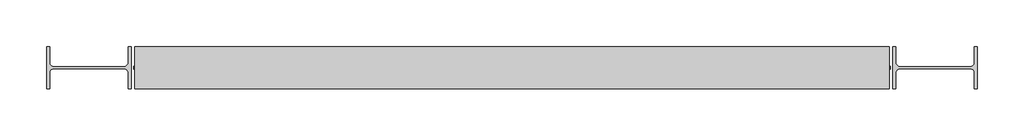
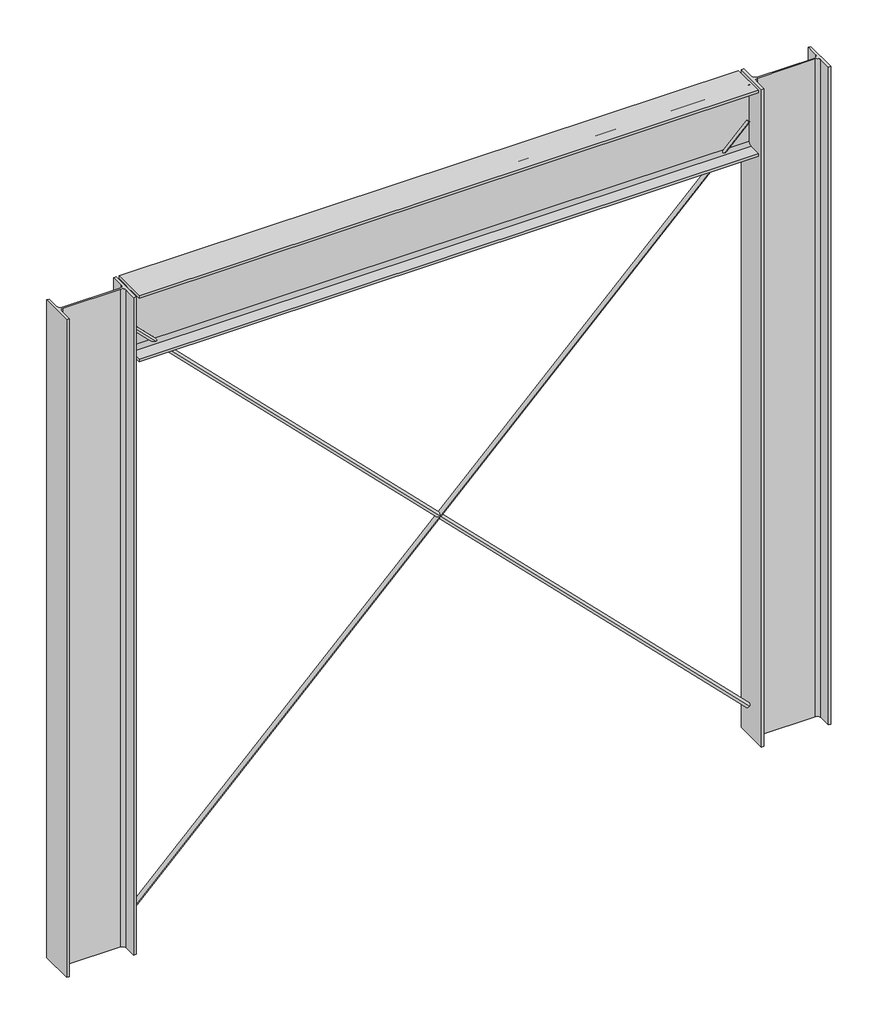
# Not in any storey: 3 beams, 2 columns.
"""IFC4 building model written with IfcOpenShell, lengths in millimetres."""

import ifcopenshell
import ifcopenshell.guid

model = None  # the IFC model being written
_history = None  # IfcOwnerHistory: only IFC2X3 demands one
_inside = {}  # id of a spatial element -> (the spatial element, [elements in it])
_under = {}  # id of a project, library or spatial element -> (it, [spatial elements below it])
_declared = {}  # id of a project -> (the project, [libraries it declares])
_typed = {}  # id of a type object -> (the type object, [elements of that type])
_made_of = {}  # id of a material, layer set ... -> (it, [elements and type objects made of it])


def new_model(schema):
    """Start an empty IFC model of exactly this schema.

    Asked for "IFC4X3", IfcOpenShell would pick the latest addendum, in which some entities
    have other attributes; the version numbers below select the first issue.
    IFC2X3 requires an IfcOwnerHistory on every rooted entity: one is made here for all.
    """
    global model, _history
    if schema == "IFC4X3":
        model = ifcopenshell.file(schema_version=(4, 3, 0, 0))
    else:
        model = ifcopenshell.file(schema=schema)
    _inside.clear()
    _under.clear()
    _declared.clear()
    _typed.clear()
    _made_of.clear()
    _history = None
    if model.schema == "IFC2X3":
        org = make("IfcOrganization", Name="unknown")
        user = make(
            "IfcPersonAndOrganization",
            ThePerson=make("IfcPerson", FamilyName="unknown"),
            TheOrganization=org,
        )
        app = make(
            "IfcApplication",
            ApplicationDeveloper=org,
            Version="unknown",
            ApplicationFullName="unknown",
            ApplicationIdentifier="unknown",
        )
        _history = make(
            "IfcOwnerHistory",
            OwningUser=user,
            OwningApplication=app,
            ChangeAction="ADDED",
            CreationDate=0,
        )
    return model


def make(cls, **values):
    """One entity of the class cls with the attributes given. An attribute that is None is left unset."""
    return model.create_entity(
        cls, **{name: value for name, value in values.items() if value is not None}
    )


def rooted(cls, **values):
    """An entity with a GlobalId (a new one), such as an element, a storey or a relation."""
    return make(cls, GlobalId=ifcopenshell.guid.new(), OwnerHistory=_history, **values)


def si_unit(unit_type, name, prefix=None):
    """IfcSIUnit, for example si_unit("LENGTHUNIT", "METRE", prefix="MILLI")."""
    return make("IfcSIUnit", UnitType=unit_type, Prefix=prefix, Name=name)


def assignment(units):
    """IfcUnitAssignment: the units of a project."""
    return None if units is None else make("IfcUnitAssignment", Units=units)


def point(xyz):
    """IfcCartesianPoint."""
    return None if xyz is None else make("IfcCartesianPoint", Coordinates=xyz)


def direction(xyz):
    """IfcDirection."""
    return None if xyz is None else make("IfcDirection", DirectionRatios=xyz)


def frame(location, z_axis=None, x_axis=None):
    """IfcAxis2Placement3D, a coordinate frame: its origin and axes. An axis left out is left unset."""
    return make(
        "IfcAxis2Placement3D",
        Location=point(location),
        Axis=direction(z_axis),
        RefDirection=direction(x_axis),
    )


def frame_2d(location, x_axis=None):
    """IfcAxis2Placement2D, a coordinate frame in the plane: its origin and x axis."""
    return make(
        "IfcAxis2Placement2D", Location=point(location), RefDirection=direction(x_axis)
    )


def origin():
    """The frame at (0, 0, 0) with its axes left unset."""
    return frame((0.0, 0.0, 0.0))


def origin_2d():
    """The frame at (0, 0) in the plane with its x axis left unset."""
    return frame_2d((0.0, 0.0))


def place(relative_to, where):
    """IfcLocalPlacement: puts the frame where relative to a parent placement (None: the world)."""
    return make(
        "IfcLocalPlacement", PlacementRelTo=relative_to, RelativePlacement=where
    )


def context(
    kind, dimensions, precision=None, world=None, true_north=None, identifier=None
):
    """IfcGeometricRepresentationContext, for example the 3D "Model" context."""
    return make(
        "IfcGeometricRepresentationContext",
        ContextIdentifier=identifier,
        ContextType=kind,
        CoordinateSpaceDimension=dimensions,
        Precision=precision,
        WorldCoordinateSystem=world,
        TrueNorth=true_north,
    )


def project(units=None, contexts=None):
    """IfcProject with its units and contexts."""
    return rooted(
        "IfcProject",
        Name="project",
        RepresentationContexts=contexts,
        UnitsInContext=assignment(units),
    )


def spatial(cls, under=None, at=None, **own):
    """A site, building, storey or space (cls), placed at a placement, below another one or the project."""
    s = rooted(cls, ObjectPlacement=at, **own)
    if under is not None:
        _under.setdefault(under.id(), (under, []))[1].append(s)
    return s


def polyline(points):
    """IfcPolyline through the points."""
    return make("IfcPolyline", Points=[point(p) for p in points])


def circle_curve(where, radius):
    """IfcCircle in the frame where."""
    return make("IfcCircle", Position=where, Radius=radius)


def trimmed(basis, trim1, trim2, sense, master):
    """IfcTrimmedCurve: the piece of a basis curve between two trims."""
    return make(
        "IfcTrimmedCurve",
        BasisCurve=basis,
        Trim1=trim1,
        Trim2=trim2,
        SenseAgreement=sense,
        MasterRepresentation=master,
    )


def segment(curve, same_sense, transition):
    """IfcCompositeCurveSegment."""
    return make(
        "IfcCompositeCurveSegment",
        Transition=transition,
        SameSense=same_sense,
        ParentCurve=curve,
    )


def composite_curve(segments, self_intersect=None):
    """IfcCompositeCurve: segments joined end to end."""
    return make("IfcCompositeCurve", Segments=segments, SelfIntersect=self_intersect)


def outline(outer, holes=None, kind="AREA"):
    """IfcArbitraryClosedProfileDef: a profile drawn as a closed curve; with holes, ...WithVoids."""
    if holes is None:
        return make("IfcArbitraryClosedProfileDef", ProfileType=kind, OuterCurve=outer)
    return make(
        "IfcArbitraryProfileDefWithVoids",
        ProfileType=kind,
        OuterCurve=outer,
        InnerCurves=holes,
    )


def extrude(swept, where, along, depth):
    """IfcExtrudedAreaSolid: the profile swept, set in the frame where, extruded along a direction by depth."""
    return make(
        "IfcExtrudedAreaSolid",
        SweptArea=swept,
        Position=where,
        ExtrudedDirection=direction(along),
        Depth=depth,
    )


def shape(context_of_items, identifier, shape_type, items):
    """IfcShapeRepresentation: the items that make up one representation, for example the "Body"."""
    return make(
        "IfcShapeRepresentation",
        ContextOfItems=context_of_items,
        RepresentationIdentifier=identifier,
        RepresentationType=shape_type,
        Items=items,
    )


def source(mapping_origin, context_of_items, identifier, shape_type, items):
    """IfcRepresentationMap: a shape defined once, which mapped items show again and again."""
    return make(
        "IfcRepresentationMap",
        MappingOrigin=mapping_origin,
        MappedRepresentation=shape(context_of_items, identifier, shape_type, items),
    )


def transform(
    local_origin,
    x_axis=None,
    y_axis=None,
    z_axis=None,
    scale=None,
    scale2=None,
    scale3=None,
    uniform=True,
):
    """IfcCartesianTransformationOperator3D, or its non-uniform kind. x_axis, y_axis, z_axis: its Axis1, 2, 3."""
    if uniform:
        return make(
            "IfcCartesianTransformationOperator3D",
            Axis1=direction(x_axis),
            Axis2=direction(y_axis),
            LocalOrigin=point(local_origin),
            Scale=scale,
            Axis3=direction(z_axis),
        )
    return make(
        "IfcCartesianTransformationOperator3DnonUniform",
        Axis1=direction(x_axis),
        Axis2=direction(y_axis),
        LocalOrigin=point(local_origin),
        Scale=scale,
        Axis3=direction(z_axis),
        Scale2=scale2,
        Scale3=scale3,
    )


def mapped(mapping_source, mapping_target):
    """IfcMappedItem: shows the shape of a source again, moved by a transform."""
    return make(
        "IfcMappedItem", MappingSource=mapping_source, MappingTarget=mapping_target
    )


def made_of(thing, what):
    """Note that an element or type object is made of a material, layer set ...; save() writes the relation."""
    if what is not None:
        _made_of.setdefault(what.id(), (what, []))[1].append(thing)
    return thing


def element(
    cls,
    number,
    at=None,
    inside=None,
    cuts=None,
    type_object=None,
    material=None,
    context=None,
    identifier="Body",
    shape_type=None,
    held_by="IfcProductDefinitionShape",
    body=None,
    shapes=None,
    **own,
):
    """One element of the class cls, such as IfcWall. Its Tag is "e" and its number.

    at: its placement. inside: the storey or other place that contains it. cuts: it is an
    opening in that element (IfcRelVoidsElement). A single representation is given by context,
    identifier, shape_type and body (its items); several are given by shapes. held_by: the class
    of the entity that holds the representations. save() writes the other relations.
    """
    e = rooted(cls, Tag="e%d" % number, ObjectPlacement=at, **own)
    if body is not None:
        shapes = [shape(context, identifier, shape_type, body)]
    if shapes is not None:
        e.Representation = make(held_by, Representations=shapes)
    if inside is not None:
        _inside.setdefault(inside.id(), (inside, []))[1].append(e)
    if cuts is not None:
        rooted(
            "IfcRelVoidsElement", RelatingBuildingElement=cuts, RelatedOpeningElement=e
        )
    if type_object is not None:
        _typed.setdefault(type_object.id(), (type_object, []))[1].append(e)
    return made_of(e, material)


def aggregate(whole, parts):
    """IfcRelAggregates: a whole, such as a stair, and the parts it consists of."""
    return rooted("IfcRelAggregates", RelatingObject=whole, RelatedObjects=parts)


def save(model, path):
    """Write the relations noted so far, then the file.

    IfcRelAggregates (storeys below a building ...), IfcRelContainedInSpatialStructure (elements
    in a storey), IfcRelDefinesByType, IfcRelAssociatesMaterial and IfcRelDeclares: one each for
    every whole, place, type object, material and project.
    """
    for whole, parts in _under.values():
        aggregate(whole, parts)
    for where, things in _inside.values():
        rooted(
            "IfcRelContainedInSpatialStructure",
            RelatedElements=things,
            RelatingStructure=where,
        )
    for kind, things in _typed.values():
        rooted("IfcRelDefinesByType", RelatedObjects=things, RelatingType=kind)
    for what, things in _made_of.values():
        rooted("IfcRelAssociatesMaterial", RelatedObjects=things, RelatingMaterial=what)
    for by, libraries in _declared.values():
        rooted("IfcRelDeclares", RelatingContext=by, RelatedDefinitions=libraries)
    model.write(path)


def ipe_300_8d54fe13(model_context):
    return source(origin(), model_context, "Body", "SweptSolid", [
        extrude(outline(composite_curve([segment(polyline([(75.0, -139.3), (75.0, -150.0), (-75.0, -150.0), (-75.0, -139.3), (-18.55, -139.3)]), True, "CONTINUOUS"), segment(trimmed(circle_curve(frame_2d((-18.55, -124.3)), 15.0), [point((-18.55, -139.3))], [point((-3.55, -124.3))], True, "CARTESIAN"), True, "CONTINUOUS"), segment(polyline([(-3.55, -124.3), (-3.55, 124.3)]), True, "CONTINUOUS"), segment(trimmed(circle_curve(frame_2d((-18.55, 124.3)), 15.0), [point((-3.55, 124.3))], [point((-18.55, 139.3))], True, "CARTESIAN"), True, "CONTINUOUS"), segment(polyline([(-18.55, 139.3), (-75.0, 139.3), (-75.0, 150.0), (75.0, 150.0), (75.0, 139.3), (18.55, 139.3)]), True, "CONTINUOUS"), segment(trimmed(circle_curve(frame_2d((18.55, 124.3)), 15.0), [point((18.55, 139.3))], [point((3.55, 124.3))], True, "CARTESIAN"), True, "CONTINUOUS"), segment(polyline([(3.55, 124.3), (3.55, -124.3)]), True, "CONTINUOUS"), segment(trimmed(circle_curve(frame_2d((18.55, -124.3)), 15.0), [point((3.55, -124.3))], [point((18.55, -139.3))], True, "CARTESIAN"), True, "CONTINUOUS"), segment(polyline([(18.55, -139.3), (75.0, -139.3)]), True, "CONTINUOUS")], self_intersect=False)), frame((-1337.3, 0.0, 0.0), z_axis=(1.0, 0.0, 0.0), x_axis=(0.0, 1.0, 0.0)), (0.0, 0.0, 1.0), 2674.6),
    ])


def rb_20_b70facb6(model_context):
    return source(origin(), model_context, "Body", "SweptSolid", [
        extrude(outline(composite_curve([segment(trimmed(circle_curve(origin_2d(), 10.0), [point((10.0, 0.0))], [point((-10.0, 0.0))], False, "CARTESIAN"), True, "CONTINUOUS"), segment(trimmed(circle_curve(origin_2d(), 10.0), [point((-10.0, 0.0))], [point((10.0, 0.0))], False, "CARTESIAN"), True, "CONTINUOUS")], self_intersect=False)), frame((-1896.45, 0.0, 0.0), z_axis=(1.0, 0.0, 0.0), x_axis=(0.0, 1.0, 0.0)), (0.0, 0.0, 1.0), 3772.9),
    ])


def ipe_300_e4aeb1f6(model_context):
    return source(origin(), model_context, "Body", "SweptSolid", [
        extrude(outline(composite_curve([segment(polyline([(75.0, 150.0), (75.0, 139.3), (18.55, 139.3)]), True, "CONTINUOUS"), segment(trimmed(circle_curve(frame_2d((18.55, 124.3)), 15.0), [point((18.55, 139.3))], [point((3.55, 124.3))], True, "CARTESIAN"), True, "CONTINUOUS"), segment(polyline([(3.55, 124.3), (3.55, -124.3)]), True, "CONTINUOUS"), segment(trimmed(circle_curve(frame_2d((18.55, -124.3)), 15.0), [point((3.55, -124.3))], [point((18.55, -139.3))], True, "CARTESIAN"), True, "CONTINUOUS"), segment(polyline([(18.55, -139.3), (75.0, -139.3), (75.0, -150.0), (-75.0, -150.0), (-75.0, -139.3), (-18.55, -139.3)]), True, "CONTINUOUS"), segment(trimmed(circle_curve(frame_2d((-18.55, -124.3)), 15.0), [point((-18.55, -139.3))], [point((-3.55, -124.3))], True, "CARTESIAN"), True, "CONTINUOUS"), segment(polyline([(-3.55, -124.3), (-3.55, 124.3)]), True, "CONTINUOUS"), segment(trimmed(circle_curve(frame_2d((-18.55, 124.3)), 15.0), [point((-3.55, 124.3))], [point((-18.55, 139.3))], True, "CARTESIAN"), True, "CONTINUOUS"), segment(polyline([(-18.55, 139.3), (-75.0, 139.3), (-75.0, 150.0), (75.0, 150.0)]), True, "CONTINUOUS")], self_intersect=False)), frame((0.0, 0.0, -3000.0), z_axis=(0.0, 0.0, 1.0), x_axis=(1.0, 0.0, 0.0)), (0.0, 0.0, 1.0), 3000.0),
    ])


model = new_model("IFC4")

# Units and contexts
model_context = context("Model", 3, world=origin())
ifc_project = project(units=[si_unit("LENGTHUNIT", "METRE", prefix="MILLI")], contexts=[model_context])

# Site, building
site = spatial("IfcSite", under=ifc_project)
building = spatial("IfcBuilding", under=site)

# Beams
placement = place(None, origin())
ipe_300_shape = ipe_300_8d54fe13(model_context)
element("IfcBeam", 1, ObjectType="IPE 300", at=placement, inside=building, context=model_context, shape_type="MappedRepresentation", body=[
    mapped(ipe_300_shape, transform((1499.9547051, -0.0190131, -150.0), x_axis=(1.0, 0.0, 0.0), y_axis=(0.0, 1.0, 0.0), z_axis=(0.0, 0.0, 1.0))),
])
rb_20_shape = rb_20_b70facb6(model_context)
element("IfcBeam", 2, ObjectType="RB 20", at=placement, inside=building, context=model_context, shape_type="MappedRepresentation", body=[
    mapped(rb_20_shape, transform((1492.8836373, -0.0190131, -1507.0710678), x_axis=(-0.7071067811865476, 0.0, 0.7071067811865476), y_axis=(0.0, -1.0000000000000002, 0.0), z_axis=(0.7071067811865476, 0.0, 0.7071067811865476))),
])
element("IfcBeam", 3, ObjectType="RB 20", at=placement, inside=building, context=model_context, shape_type="MappedRepresentation", body=[
    mapped(rb_20_shape, transform((1507.0257729, -0.0190131, -1507.0710678), x_axis=(0.7071067811865476, 0.0, 0.7071067811865476), y_axis=(0.0, 1.0000000000000002, 0.0), z_axis=(-0.7071067811865476, 0.0, 0.7071067811865476))),
])

# Columns
ipe_300_2_shape = ipe_300_e4aeb1f6(model_context)
element("IfcColumn", 4, ObjectType="IPE 300", at=placement, inside=building, context=model_context, shape_type="MappedRepresentation", body=[
    mapped(ipe_300_2_shape, transform((-0.0452949, -0.0190131, 0.0), x_axis=(0.0, 1.0, 0.0), y_axis=(-1.0, 0.0, 0.0), z_axis=(0.0, 0.0, 1.0))),
])
element("IfcColumn", 5, ObjectType="IPE 300", at=placement, inside=building, context=model_context, shape_type="MappedRepresentation", body=[
    mapped(ipe_300_2_shape, transform((2999.9547051, -0.0190131, 0.0), x_axis=(0.0, 1.0, 0.0), y_axis=(-1.0, 0.0, 0.0), z_axis=(0.0, 0.0, 1.0))),
])

save(model, "model.ifc")
